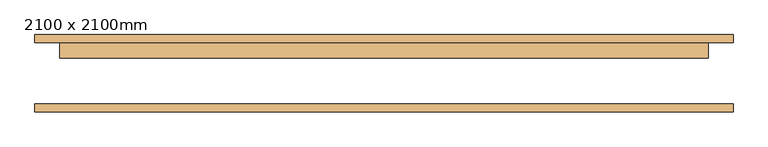
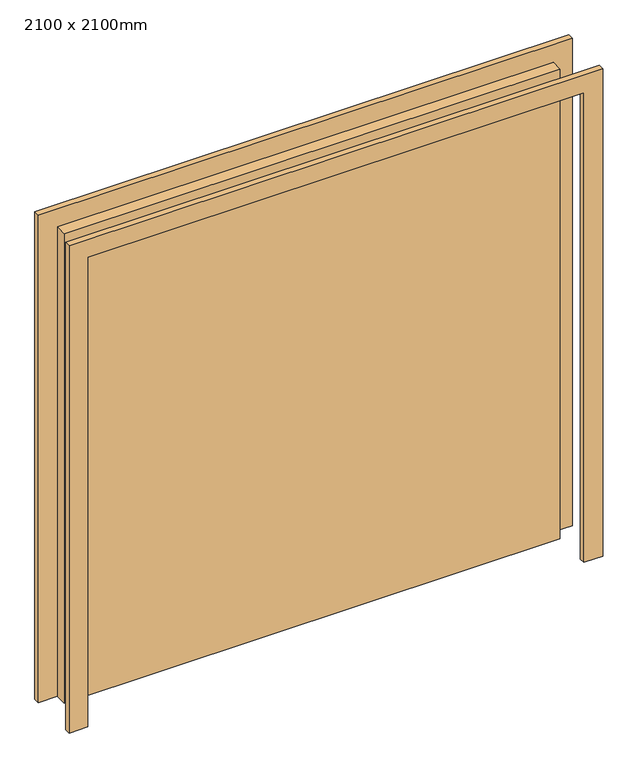
"""IFC4 building model written with IfcOpenShell, lengths in millimetres: door geometry, 2100 x 2100mm."""

from ifc_helpers import new_model, si_unit, frame, origin, origin_with_axes, place, context, project, spatial, polyline, outline, extrude, source, transform, mapped, element, save


def door_2100_x_2100mm_9d58f4e7(model_context):
    return source(origin(), model_context, "Body", "SweptSolid", [
        extrude(outline(polyline([(2180.0, -1130.0), (0.0, -1130.0), (0.0, -1050.0), (2100.0, -1050.0), (2100.0, 1050.0), (0.0, 1050.0), (0.0, 1130.0), (2180.0, 1130.0), (2180.0, -1130.0)])), frame((0.0, 100.0, 0.0), z_axis=(0.0, 1.0, 0.0), x_axis=(0.0, 0.0, 1.0)), (0.0, 0.0, 1.0), 25.0),
        extrude(outline(polyline([(2100.0, -1050.0), (2100.0, 1050.0), (0.0, 1050.0), (0.0, 1130.0), (2180.0, 1130.0), (2180.0, -1130.0), (0.0, -1130.0), (0.0, -1050.0), (2100.0, -1050.0)])), frame((0.0, -125.0, 0.0), z_axis=(0.0, 1.0, 0.0), x_axis=(0.0, 0.0, 1.0)), (0.0, 0.0, 1.0), 25.0),
        extrude(outline(polyline([(-1050.0, 100.0), (1050.0, 100.0), (1050.0, 50.0), (-1050.0, 50.0), (-1050.0, 100.0)])), origin_with_axes(), (0.0, 0.0, 1.0), 2100.0),
    ])


if __name__ == "__main__":
    model = new_model("IFC4")
    model_context = context("Model", 3, world=origin())
    ifc_project = project(units=[si_unit("LENGTHUNIT", "METRE", prefix="MILLI")], contexts=[model_context])
    site = spatial("IfcSite", under=ifc_project)
    building = spatial("IfcBuilding", under=site)
    placement = place(None, origin())
    door_2100_x_2100mm_shape = door_2100_x_2100mm_9d58f4e7(model_context)
    element("IfcDoor", 1, ObjectType="2100 x 2100mm", at=placement, inside=building, context=model_context, shape_type="MappedRepresentation", body=[
        mapped(door_2100_x_2100mm_shape, transform((0.0, 0.0, 0.0), x_axis=(1.0, 0.0, 0.0), y_axis=(0.0, 1.0, 0.0), z_axis=(0.0, 0.0, 1.0))),
    ])
    save(model, "model.ifc")
